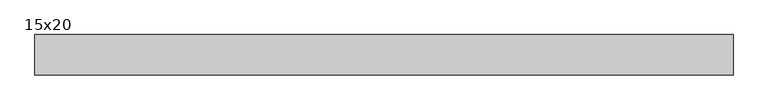
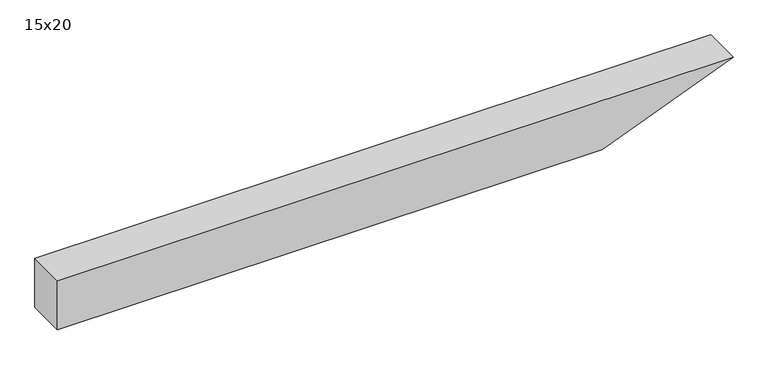
"""IFC4 building model written with IfcOpenShell, lengths in millimetres: beam geometry, 15x20."""

from ifc_helpers import new_model, si_unit, frame, origin, place, context, project, spatial, polyline, outline, extrude, source, transform, mapped, element, save


def beam_15x20_5a6491bf(model_context):
    return source(origin(), model_context, "Body", "SweptSolid", [
        extrude(outline(polyline([(100.0, -1321.0), (-100.0, -1321.0), (-100.0, 768.8), (100.0, 1271.0), (100.0, -1321.0)])), frame((0.0, -75.0, 0.0), z_axis=(0.0, 1.0, 0.0), x_axis=(0.0, 0.0, 1.0)), (0.0, 0.0, 1.0), 150.0),
    ])


if __name__ == "__main__":
    model = new_model("IFC4")
    model_context = context("Model", 3, world=origin())
    ifc_project = project(units=[si_unit("LENGTHUNIT", "METRE", prefix="MILLI")], contexts=[model_context])
    site = spatial("IfcSite", under=ifc_project)
    building = spatial("IfcBuilding", under=site)
    placement = place(None, origin())
    beam_15x20_shape = beam_15x20_5a6491bf(model_context)
    element("IfcBeam", 1, ObjectType="15x20", at=placement, inside=building, context=model_context, shape_type="MappedRepresentation", body=[
        mapped(beam_15x20_shape, transform((0.0, 0.0, 0.0), x_axis=(1.0, 0.0, 0.0), y_axis=(0.0, 1.0, 0.0), z_axis=(0.0, 0.0, 1.0))),
    ])
    save(model, "model.ifc")
